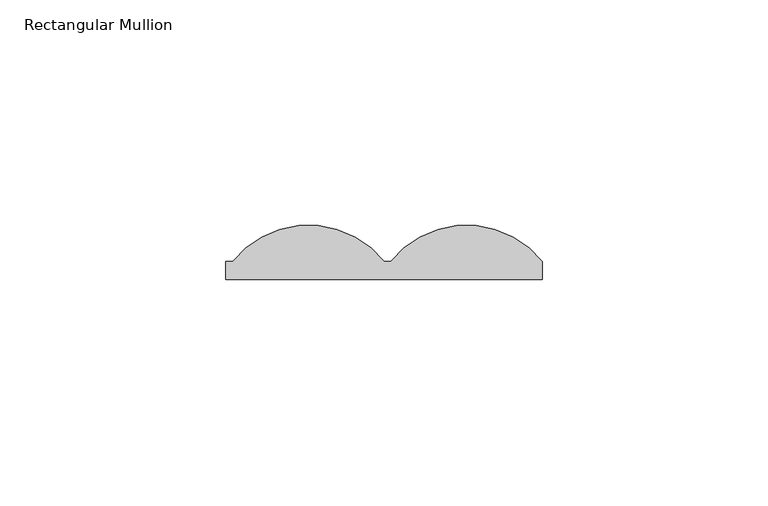
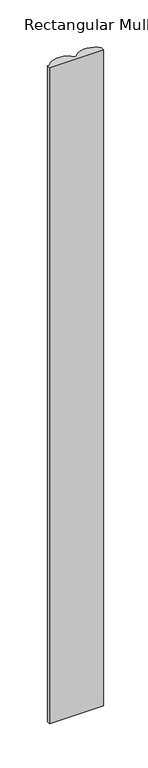
"""IFC4 building model written with IfcOpenShell, lengths in millimetres: member geometry, Rectangular Mullion."""

from ifc_helpers import new_model, si_unit, point, frame, frame_2d, origin, place, context, project, spatial, polyline, circle_curve, trimmed, segment, composite_curve, outline, extrude, source, transform, mapped, element, save


def rectangular_mullion_aaf1aa5f(model_context):
    return source(origin(), model_context, "Body", "SweptSolid", [
        extrude(outline(composite_curve([segment(polyline([(0.0, 3.9994695), (1.532743, 3.9994695)]), True, "CONTINUOUS"), segment(trimmed(circle_curve(frame_2d((18.2663715, -9.5)), 21.5), [point((1.532743, 3.9994695))], [point((35.0, 3.9994695))], False, "CARTESIAN"), True, "CONTINUOUS"), segment(polyline([(35.0, 3.9994695), (35.0, 0.0), (-35.0, 0.0), (-35.0, 3.9994695), (-33.467257, 3.9994695)]), True, "CONTINUOUS"), segment(trimmed(circle_curve(frame_2d((-16.7336285, -9.5)), 21.5), [point((-33.467257, 3.9994695))], [point((0.0, 3.9994695))], False, "CARTESIAN"), True, "CONTINUOUS")], self_intersect=False)), frame((0.0, 0.0, -900.0), z_axis=(0.0, 0.0, 1.0), x_axis=(1.0, 0.0, 0.0)), (0.0, 0.0, 1.0), 900.0),
    ])


if __name__ == "__main__":
    model = new_model("IFC4")
    model_context = context("Model", 3, world=origin())
    ifc_project = project(units=[si_unit("LENGTHUNIT", "METRE", prefix="MILLI")], contexts=[model_context])
    site = spatial("IfcSite", under=ifc_project)
    building = spatial("IfcBuilding", under=site)
    placement = place(None, origin())
    rectangular_mullion_shape = rectangular_mullion_aaf1aa5f(model_context)
    element("IfcMember", 1, ObjectType="Rectangular Mullion", at=placement, inside=building, context=model_context, shape_type="MappedRepresentation", body=[
        mapped(rectangular_mullion_shape, transform((0.0, 0.0, 0.0), x_axis=(1.0, 0.0, 0.0), y_axis=(0.0, 1.0, 0.0), z_axis=(0.0, 0.0, 1.0))),
    ])
    save(model, "model.ifc")
